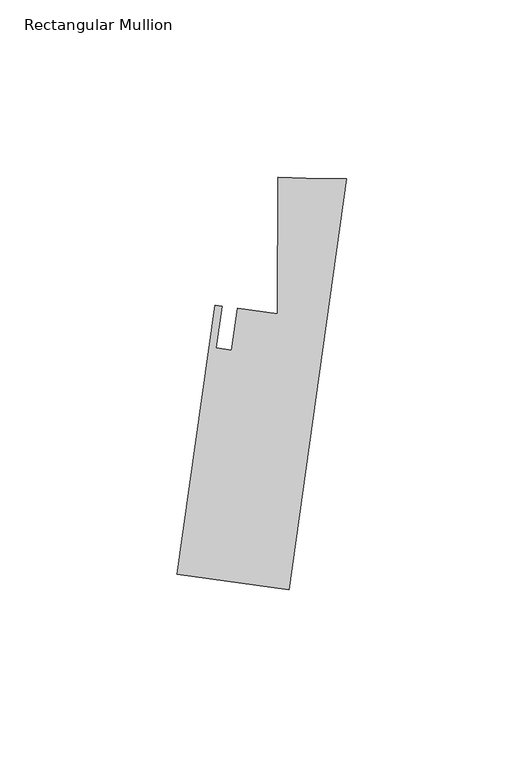
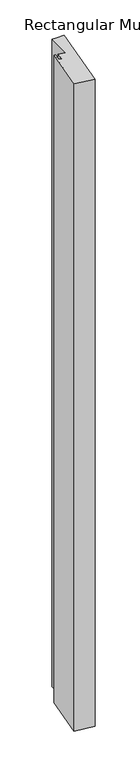
"""IFC4 building model written with IfcOpenShell, lengths in millimetres: member geometry, Rectangular Mullion."""

from ifc_helpers import new_model, si_unit, frame, origin, place, context, project, spatial, polyline, outline, extrude, source, transform, mapped, element, save


def rectangular_mullion_1c414c9f(model_context):
    return source(origin(), model_context, "Body", "SweptSolid", [
        extrude(outline(polyline([(-47.7197012, -111.7381981), (-37.0687359, -35.9527876), (-35.1068072, -36.2285192), (-36.7611888, -48.0000334), (-32.4349058, -48.6080539), (-30.7805233, -36.8365335), (-19.4249594, -38.432457), (-19.3699134, 0.0022725), (-11.3980148, -0.2140544), (0.0, -0.3282682), (-16.2786912, -116.1569524), (-47.7197012, -111.7381981)])), frame((0.0, 0.0, -1123.95), z_axis=(0.0, 0.0, 1.0), x_axis=(1.0, 0.0, 0.0)), (0.0, 0.0, 1.0), 1123.95),
    ])


if __name__ == "__main__":
    model = new_model("IFC4")
    model_context = context("Model", 3, world=origin())
    ifc_project = project(units=[si_unit("LENGTHUNIT", "METRE", prefix="MILLI")], contexts=[model_context])
    site = spatial("IfcSite", under=ifc_project)
    building = spatial("IfcBuilding", under=site)
    placement = place(None, origin())
    rectangular_mullion_shape = rectangular_mullion_1c414c9f(model_context)
    element("IfcMember", 1, ObjectType="Rectangular Mullion", at=placement, inside=building, context=model_context, shape_type="MappedRepresentation", body=[
        mapped(rectangular_mullion_shape, transform((0.0, 0.0, 0.0), x_axis=(1.0, 0.0, 0.0), y_axis=(0.0, 1.0, 0.0), z_axis=(0.0, 0.0, 1.0))),
    ])
    save(model, "model.ifc")
